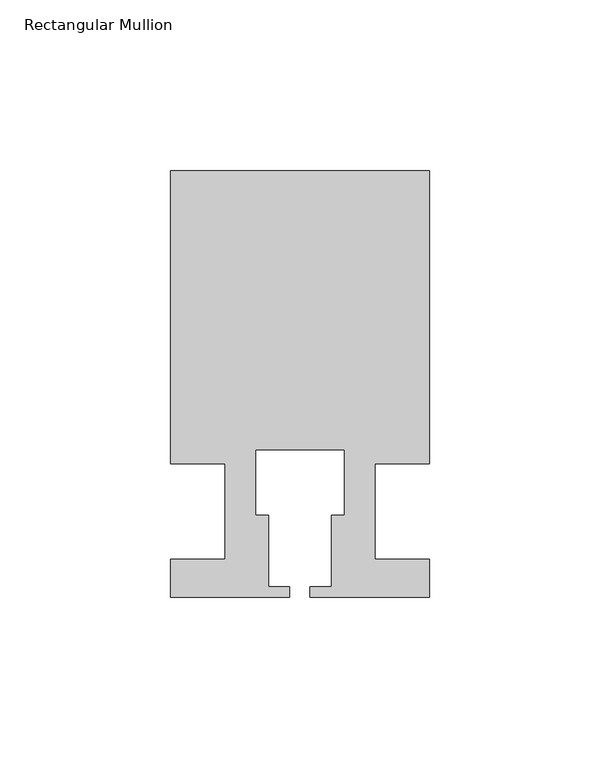
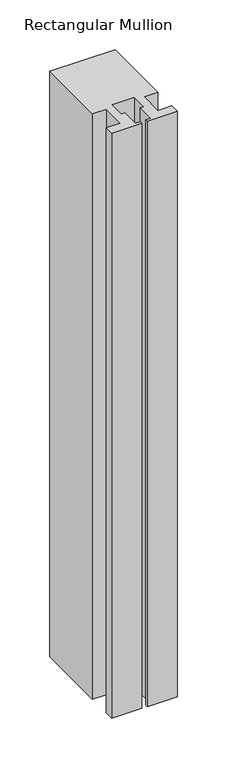
"""IFC4 building model written with IfcOpenShell, lengths in millimetres: member geometry, Rectangular Mullion."""

from ifc_helpers import new_model, si_unit, frame, origin, place, context, project, spatial, polyline, outline, extrude, source, transform, mapped, element, save


def rectangular_mullion_be85da8b(model_context):
    return source(origin(), model_context, "Body", "SweptSolid", [
        extrude(outline(polyline([(37.9999914, 99.9960123), (37.9999914, 13.9960123), (21.9999651, 13.9960123), (21.9999651, -14.0039877), (37.9999896, -14.0039877), (37.9999896, -25.0039877), (2.9999651, -25.0039877), (2.9999651, -22.0039877), (9.1999651, -22.0039877), (9.1999651, -1.0039877), (12.9999651, -1.0039877), (12.9999651, 18.1960075), (-12.9999633, 18.1960075), (-12.9999633, -1.0039877), (-9.1999633, -1.0039877), (-9.1999633, -22.0039877), (-2.9999896, -22.0039877), (-2.9999896, -25.0039877), (-37.9999896, -25.0039877), (-37.9999896, -14.0039877), (-21.9999633, -14.0039877), (-21.9999633, 13.9960123), (-37.9999896, 13.9960123), (-37.9999896, 99.9960123), (37.9999914, 99.9960123)])), frame((0.0, 0.0, -718.958673), z_axis=(0.0, 0.0, 1.0), x_axis=(1.0, 0.0, 0.0)), (0.0, 0.0, 1.0), 718.958673),
    ])


if __name__ == "__main__":
    model = new_model("IFC4")
    model_context = context("Model", 3, world=origin())
    ifc_project = project(units=[si_unit("LENGTHUNIT", "METRE", prefix="MILLI")], contexts=[model_context])
    site = spatial("IfcSite", under=ifc_project)
    building = spatial("IfcBuilding", under=site)
    placement = place(None, origin())
    rectangular_mullion_shape = rectangular_mullion_be85da8b(model_context)
    element("IfcMember", 1, ObjectType="Rectangular Mullion", at=placement, inside=building, context=model_context, shape_type="MappedRepresentation", body=[
        mapped(rectangular_mullion_shape, transform((0.0, 0.0, 0.0), x_axis=(1.0, 0.0, 0.0), y_axis=(0.0, 1.0, 0.0), z_axis=(0.0, 0.0, 1.0))),
    ])
    save(model, "model.ifc")
